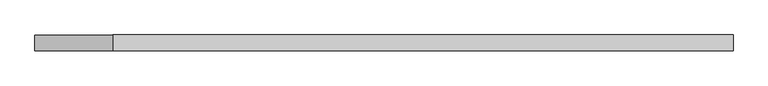
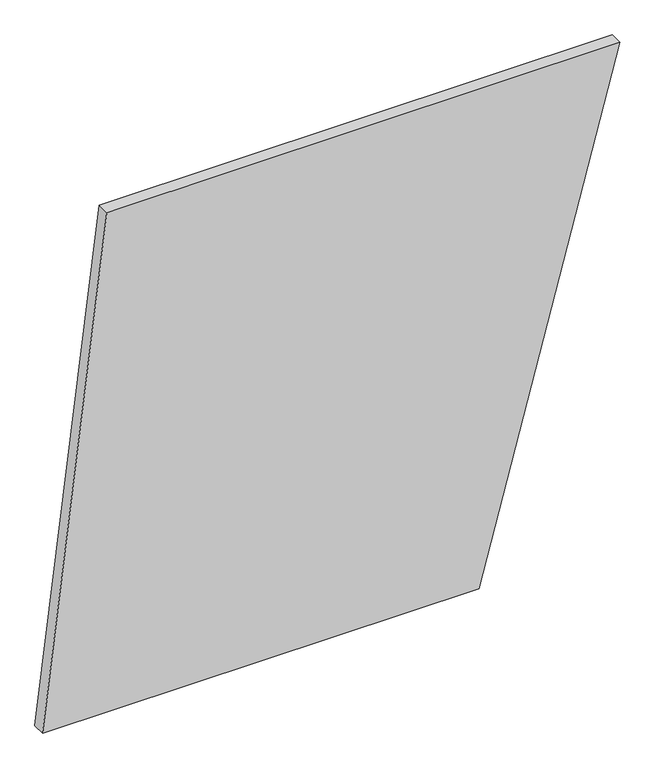
"""IFC4 building model written with IfcOpenShell, lengths in millimetres: plate geometry."""

from ifc_helpers import new_model, si_unit, frame, origin, place, context, project, spatial, polyline, outline, extrude, source, transform, mapped, element, save


def plate_9ac44024(model_context):
    return source(origin(), model_context, "Body", "SweptSolid", [
        extrude(outline(polyline([(0.0, -547.4921343), (0.0, 279.5429419), (1000.0, 547.4921343), (1000.0, -425.7802012), (0.0, -547.4921343)])), frame((0.0, 24.5, 0.0), z_axis=(0.0, 1.0, 0.0), x_axis=(0.0, 0.0, 1.0)), (0.0, 0.0, 1.0), 25.0),
    ])


if __name__ == "__main__":
    model = new_model("IFC4")
    model_context = context("Model", 3, world=origin())
    ifc_project = project(units=[si_unit("LENGTHUNIT", "METRE", prefix="MILLI")], contexts=[model_context])
    site = spatial("IfcSite", under=ifc_project)
    building = spatial("IfcBuilding", under=site)
    placement = place(None, origin())
    plate_shape = plate_9ac44024(model_context)
    element("IfcPlate", 1, at=placement, inside=building, context=model_context, shape_type="MappedRepresentation", body=[
        mapped(plate_shape, transform((0.0, 0.0, 0.0), x_axis=(1.0, 0.0, 0.0), y_axis=(0.0, 1.0, 0.0), z_axis=(0.0, 0.0, 1.0))),
    ])
    save(model, "model.ifc")
